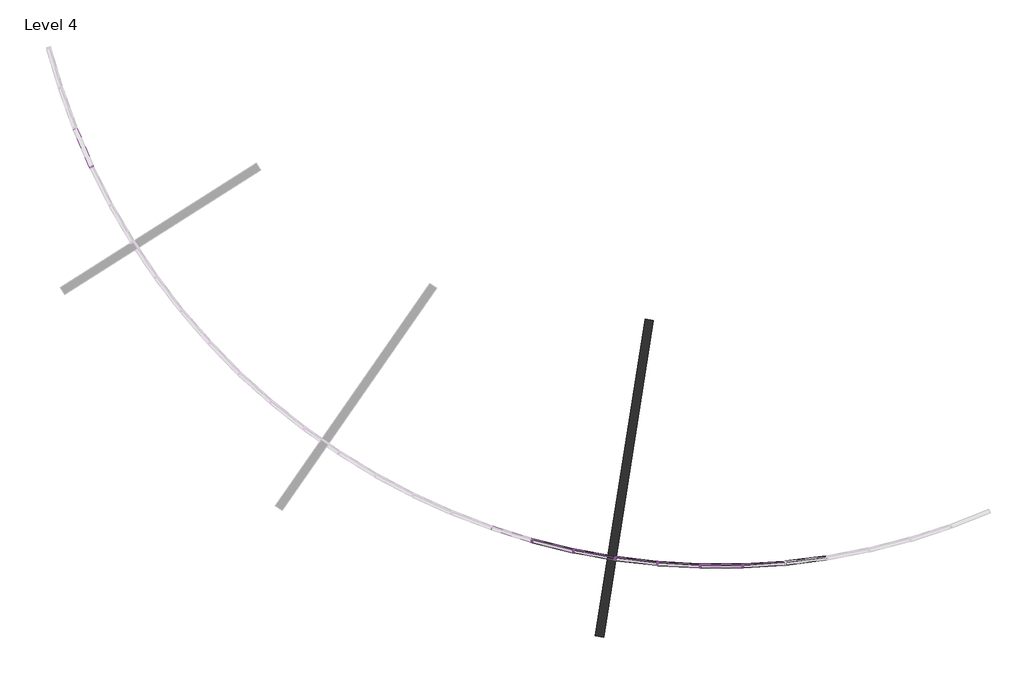
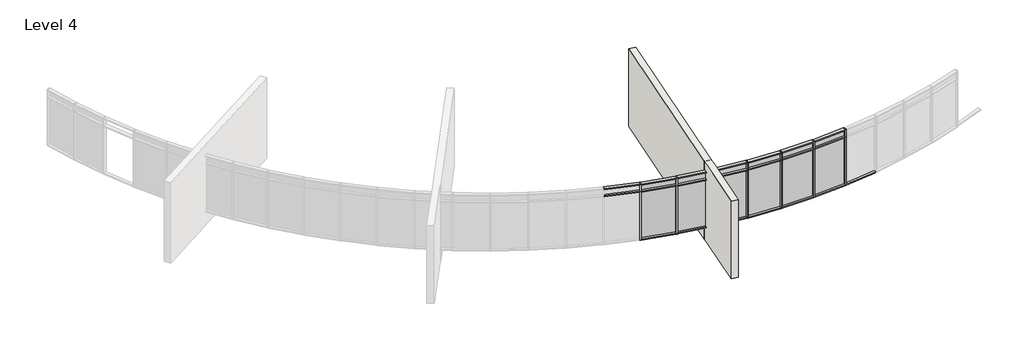
# One storey, part 3 of 18: 72 members, 24 plates, 2 walls.
"""IFC4 building model written with IfcOpenShell, lengths in millimetres."""

import ifcopenshell
import ifcopenshell.guid

model = None  # the IFC model being written
_history = None  # IfcOwnerHistory: only IFC2X3 demands one
_inside = {}  # id of a spatial element -> (the spatial element, [elements in it])
_under = {}  # id of a project, library or spatial element -> (it, [spatial elements below it])
_declared = {}  # id of a project -> (the project, [libraries it declares])
_typed = {}  # id of a type object -> (the type object, [elements of that type])
_made_of = {}  # id of a material, layer set ... -> (it, [elements and type objects made of it])


def new_model(schema):
    """Start an empty IFC model of exactly this schema.

    Asked for "IFC4X3", IfcOpenShell would pick the latest addendum, in which some entities
    have other attributes; the version numbers below select the first issue.
    IFC2X3 requires an IfcOwnerHistory on every rooted entity: one is made here for all.
    """
    global model, _history
    if schema == "IFC4X3":
        model = ifcopenshell.file(schema_version=(4, 3, 0, 0))
    else:
        model = ifcopenshell.file(schema=schema)
    _inside.clear()
    _under.clear()
    _declared.clear()
    _typed.clear()
    _made_of.clear()
    _history = None
    if model.schema == "IFC2X3":
        org = make("IfcOrganization", Name="unknown")
        user = make(
            "IfcPersonAndOrganization",
            ThePerson=make("IfcPerson", FamilyName="unknown"),
            TheOrganization=org,
        )
        app = make(
            "IfcApplication",
            ApplicationDeveloper=org,
            Version="unknown",
            ApplicationFullName="unknown",
            ApplicationIdentifier="unknown",
        )
        _history = make(
            "IfcOwnerHistory",
            OwningUser=user,
            OwningApplication=app,
            ChangeAction="ADDED",
            CreationDate=0,
        )
    return model


def make(cls, **values):
    """One entity of the class cls with the attributes given. An attribute that is None is left unset."""
    return model.create_entity(
        cls, **{name: value for name, value in values.items() if value is not None}
    )


def rooted(cls, **values):
    """An entity with a GlobalId (a new one), such as an element, a storey or a relation."""
    return make(cls, GlobalId=ifcopenshell.guid.new(), OwnerHistory=_history, **values)


def si_unit(unit_type, name, prefix=None):
    """IfcSIUnit, for example si_unit("LENGTHUNIT", "METRE", prefix="MILLI")."""
    return make("IfcSIUnit", UnitType=unit_type, Prefix=prefix, Name=name)


def assignment(units):
    """IfcUnitAssignment: the units of a project."""
    return None if units is None else make("IfcUnitAssignment", Units=units)


def point(xyz):
    """IfcCartesianPoint."""
    return None if xyz is None else make("IfcCartesianPoint", Coordinates=xyz)


def direction(xyz):
    """IfcDirection."""
    return None if xyz is None else make("IfcDirection", DirectionRatios=xyz)


def frame(location, z_axis=None, x_axis=None):
    """IfcAxis2Placement3D, a coordinate frame: its origin and axes. An axis left out is left unset."""
    return make(
        "IfcAxis2Placement3D",
        Location=point(location),
        Axis=direction(z_axis),
        RefDirection=direction(x_axis),
    )


def origin():
    """The frame at (0, 0, 0) with its axes left unset."""
    return frame((0.0, 0.0, 0.0))


def origin_with_axes():
    """The frame at (0, 0, 0) with the z axis (0, 0, 1) and the x axis (1, 0, 0) written out."""
    return frame((0.0, 0.0, 0.0), z_axis=(0.0, 0.0, 1.0), x_axis=(1.0, 0.0, 0.0))


def place(relative_to, where):
    """IfcLocalPlacement: puts the frame where relative to a parent placement (None: the world)."""
    return make(
        "IfcLocalPlacement", PlacementRelTo=relative_to, RelativePlacement=where
    )


def context(
    kind, dimensions, precision=None, world=None, true_north=None, identifier=None
):
    """IfcGeometricRepresentationContext, for example the 3D "Model" context."""
    return make(
        "IfcGeometricRepresentationContext",
        ContextIdentifier=identifier,
        ContextType=kind,
        CoordinateSpaceDimension=dimensions,
        Precision=precision,
        WorldCoordinateSystem=world,
        TrueNorth=true_north,
    )


def project(units=None, contexts=None):
    """IfcProject with its units and contexts."""
    return rooted(
        "IfcProject",
        Name="project",
        RepresentationContexts=contexts,
        UnitsInContext=assignment(units),
    )


def spatial(cls, under=None, at=None, **own):
    """A site, building, storey or space (cls), placed at a placement, below another one or the project."""
    s = rooted(cls, ObjectPlacement=at, **own)
    if under is not None:
        _under.setdefault(under.id(), (under, []))[1].append(s)
    return s


def polyline(points):
    """IfcPolyline through the points."""
    return make("IfcPolyline", Points=[point(p) for p in points])


def circle_curve(where, radius):
    """IfcCircle in the frame where."""
    return make("IfcCircle", Position=where, Radius=radius)


def outline(outer, holes=None, kind="AREA"):
    """IfcArbitraryClosedProfileDef: a profile drawn as a closed curve; with holes, ...WithVoids."""
    if holes is None:
        return make("IfcArbitraryClosedProfileDef", ProfileType=kind, OuterCurve=outer)
    return make(
        "IfcArbitraryProfileDefWithVoids",
        ProfileType=kind,
        OuterCurve=outer,
        InnerCurves=holes,
    )


def extrude(swept, where, along, depth):
    """IfcExtrudedAreaSolid: the profile swept, set in the frame where, extruded along a direction by depth."""
    return make(
        "IfcExtrudedAreaSolid",
        SweptArea=swept,
        Position=where,
        ExtrudedDirection=direction(along),
        Depth=depth,
    )


def faces_of(points, faces, orient=None, outer=None):
    """IfcFace entities. A face is a list of loops; a loop is a list of indices into points, from 0.

    orient and outer hold one flag for each loop. By default every Orientation is true, the
    first loop of a face is its IfcFaceOuterBound and the others are IfcFaceBound.
    """
    made = []
    for i, loops in enumerate(faces):
        bounds = []
        for j, loop in enumerate(loops):
            is_outer = j == 0 if outer is None else outer[i][j]
            bounds.append(
                make(
                    "IfcFaceOuterBound" if is_outer else "IfcFaceBound",
                    Bound=make("IfcPolyLoop", Polygon=[points[k] for k in loop]),
                    Orientation=True if orient is None else orient[i][j],
                )
            )
        made.append(make("IfcFace", Bounds=bounds))
    return made


def faceted_brep(points, faces, orient=None, outer=None, voids=None):
    """IfcFacetedBrep: a solid bounded by flat faces; with voids (closed shells), ...WithVoids."""
    shared = [point(p) for p in points]
    hull = make("IfcClosedShell", CfsFaces=faces_of(shared, faces, orient, outer))
    if voids is None:
        return make("IfcFacetedBrep", Outer=hull)
    return make(
        "IfcFacetedBrepWithVoids",
        Outer=hull,
        Voids=[
            make(cls, CfsFaces=faces_of(shared, fs, o, b)) for cls, fs, o, b in voids
        ],
    )


def shape(context_of_items, identifier, shape_type, items):
    """IfcShapeRepresentation: the items that make up one representation, for example the "Body"."""
    return make(
        "IfcShapeRepresentation",
        ContextOfItems=context_of_items,
        RepresentationIdentifier=identifier,
        RepresentationType=shape_type,
        Items=items,
    )


def source(mapping_origin, context_of_items, identifier, shape_type, items):
    """IfcRepresentationMap: a shape defined once, which mapped items show again and again."""
    return make(
        "IfcRepresentationMap",
        MappingOrigin=mapping_origin,
        MappedRepresentation=shape(context_of_items, identifier, shape_type, items),
    )


def transform(
    local_origin,
    x_axis=None,
    y_axis=None,
    z_axis=None,
    scale=None,
    scale2=None,
    scale3=None,
    uniform=True,
):
    """IfcCartesianTransformationOperator3D, or its non-uniform kind. x_axis, y_axis, z_axis: its Axis1, 2, 3."""
    if uniform:
        return make(
            "IfcCartesianTransformationOperator3D",
            Axis1=direction(x_axis),
            Axis2=direction(y_axis),
            LocalOrigin=point(local_origin),
            Scale=scale,
            Axis3=direction(z_axis),
        )
    return make(
        "IfcCartesianTransformationOperator3DnonUniform",
        Axis1=direction(x_axis),
        Axis2=direction(y_axis),
        LocalOrigin=point(local_origin),
        Scale=scale,
        Axis3=direction(z_axis),
        Scale2=scale2,
        Scale3=scale3,
    )


def mapped(mapping_source, mapping_target):
    """IfcMappedItem: shows the shape of a source again, moved by a transform."""
    return make(
        "IfcMappedItem", MappingSource=mapping_source, MappingTarget=mapping_target
    )


def made_of(thing, what):
    """Note that an element or type object is made of a material, layer set ...; save() writes the relation."""
    if what is not None:
        _made_of.setdefault(what.id(), (what, []))[1].append(thing)
    return thing


def element(
    cls,
    number,
    at=None,
    inside=None,
    cuts=None,
    type_object=None,
    material=None,
    context=None,
    identifier="Body",
    shape_type=None,
    held_by="IfcProductDefinitionShape",
    body=None,
    shapes=None,
    **own,
):
    """One element of the class cls, such as IfcWall. Its Tag is "e" and its number.

    at: its placement. inside: the storey or other place that contains it. cuts: it is an
    opening in that element (IfcRelVoidsElement). A single representation is given by context,
    identifier, shape_type and body (its items); several are given by shapes. held_by: the class
    of the entity that holds the representations. save() writes the other relations.
    """
    e = rooted(cls, Tag="e%d" % number, ObjectPlacement=at, **own)
    if body is not None:
        shapes = [shape(context, identifier, shape_type, body)]
    if shapes is not None:
        e.Representation = make(held_by, Representations=shapes)
    if inside is not None:
        _inside.setdefault(inside.id(), (inside, []))[1].append(e)
    if cuts is not None:
        rooted(
            "IfcRelVoidsElement", RelatingBuildingElement=cuts, RelatedOpeningElement=e
        )
    if type_object is not None:
        _typed.setdefault(type_object.id(), (type_object, []))[1].append(e)
    return made_of(e, material)


def aggregate(whole, parts):
    """IfcRelAggregates: a whole, such as a stair, and the parts it consists of."""
    return rooted("IfcRelAggregates", RelatingObject=whole, RelatedObjects=parts)


def save(model, path):
    """Write the relations noted so far, then the file.

    IfcRelAggregates (storeys below a building ...), IfcRelContainedInSpatialStructure (elements
    in a storey), IfcRelDefinesByType, IfcRelAssociatesMaterial and IfcRelDeclares: one each for
    every whole, place, type object, material and project.
    """
    for whole, parts in _under.values():
        aggregate(whole, parts)
    for where, things in _inside.values():
        rooted(
            "IfcRelContainedInSpatialStructure",
            RelatedElements=things,
            RelatingStructure=where,
        )
    for kind, things in _typed.values():
        rooted("IfcRelDefinesByType", RelatedObjects=things, RelatingType=kind)
    for what, things in _made_of.values():
        rooted("IfcRelAssociatesMaterial", RelatedObjects=things, RelatingMaterial=what)
    for by, libraries in _declared.values():
        rooted("IfcRelDeclares", RelatingContext=by, RelatedDefinitions=libraries)
    model.write(path)


def plane_surface(at):
    """IfcPlane: the flat surface through the origin of the frame at, square to its z axis."""
    return make("IfcPlane", Position=at)


def cylinder_surface(at, radius):
    """IfcCylindricalSurface: all points at the distance radius from the z axis of the frame at."""
    return make("IfcCylindricalSurface", Position=at, Radius=radius)


def revolved_surface(curve, axis_point, axis_direction):
    """IfcSurfaceOfRevolution: the curve turned about the line through axis_point along axis_direction."""
    return make(
        "IfcSurfaceOfRevolution",
        SweptCurve=make("IfcArbitraryOpenProfileDef", ProfileType="CURVE", Curve=curve),
        AxisPosition=make("IfcAxis1Placement", Location=point(axis_point), Axis=direction(axis_direction)),
    )


def advanced_brep(points, edges, surfaces, faces):
    """IfcAdvancedBrep: a solid bounded by faces that lie on surfaces and meet in shared edges.

    An edge is (start, end): straight between two places in points (the first is 0);
    or (start, end, curve); or (start, end, curve, False) where it runs against its curve.
    A face is (place in surfaces, loops), or (place, loops, False) where it looks against
    its surface's normal. A loop lists edges by number (the first is 1), with a minus sign
    where the edge is run from its end to its start. The first loop is the outer one.
    """
    corners = [point(p) for p in points]
    vertices = [make("IfcVertexPoint", VertexGeometry=c) for c in corners]
    made = []
    for start, end, *more in edges:
        made.append(
            make(
                "IfcEdgeCurve",
                EdgeStart=vertices[start],
                EdgeEnd=vertices[end],
                EdgeGeometry=more[0] if more else make("IfcPolyline", Points=[corners[start], corners[end]]),
                SameSense=more[1] if len(more) > 1 else True,
            )
        )
    hull = []
    for where, loops, *sense in faces:
        bounds = []
        for j, loop in enumerate(loops):
            ring = [make("IfcOrientedEdge", EdgeElement=made[abs(k) - 1], Orientation=k > 0) for k in loop]
            bounds.append(
                make(
                    "IfcFaceOuterBound" if j == 0 else "IfcFaceBound",
                    Bound=make("IfcEdgeLoop", EdgeList=ring),
                    Orientation=True,
                )
            )
        hull.append(make("IfcAdvancedFace", Bounds=bounds, FaceSurface=surfaces[where], SameSense=sense[0] if sense else True))
    return make("IfcAdvancedBrep", Outer=make("IfcClosedShell", CfsFaces=hull))


def rectangular_mullion_50_x_150mm_6225e4e3(model_context):
    return source(origin(), model_context, "Body", "SweptSolid", [
        extrude(outline(polyline([(25.0, 75.0), (25.0, -75.0), (-25.0, -75.0), (-25.0, 75.0), (25.0, 75.0)])), frame((0.0, 0.0, -2400.0), z_axis=(0.0, 0.0, 1.0), x_axis=(1.0, 0.0, 0.0)), (0.0, 0.0, 1.0), 2400.0),
    ])


def rectangular_mullion_50_x_150mm_5f8c5138(model_context):
    return source(origin(), model_context, "Body", "SweptSolid", [
        extrude(outline(polyline([(0.0, 75.0), (0.0, -75.0), (-50.0, -75.0), (-50.0, 75.0), (0.0, 75.0)])), frame((0.0, 0.0, -1486.638566), z_axis=(0.0, 0.0, 1.0), x_axis=(1.0, 0.0, 0.0)), (0.0, 0.0, 1.0), 1486.638566),
    ])


def rectangular_mullion_50_x_150mm_aa73aa68(model_context):
    return source(origin(), model_context, "Body", "SweptSolid", [
        extrude(outline(polyline([(25.0, 75.0), (25.0, -75.0), (-25.0, -75.0), (-25.0, 75.0), (25.0, 75.0)])), frame((0.0, 0.0, -1486.638566), z_axis=(0.0, 0.0, 1.0), x_axis=(1.0, 0.0, 0.0)), (0.0, 0.0, 1.0), 1486.638566),
    ])


def rectangular_mullion_50_x_150mm_8e968590(model_context):
    return source(origin(), model_context, "Body", "SweptSolid", [
        extrude(outline(polyline([(25.0, 75.0), (25.0, -75.0), (-25.0, -75.0), (-25.0, 75.0), (25.0, 75.0)])), frame((0.0, 0.0, -377.1504642), z_axis=(0.0, 0.0, 1.0), x_axis=(1.0, 0.0, 0.0)), (0.0, 0.0, 1.0), 377.1504642),
    ])


def system_panel_glazed_01d78c24(model_context):
    return source(origin(), model_context, "Body", "SweptSolid", [
        extrude(outline(polyline([(743.319283, 24.5), (-743.319283, 24.5), (-743.319283, 49.5), (743.319283, 49.5), (743.319283, 24.5)])), origin_with_axes(), (0.0, 0.0, 1.0), 2325.0),
    ])


def system_panel_glazed_a4027662(model_context):
    return source(origin(), model_context, "Body", "SweptSolid", [
        extrude(outline(polyline([(743.319283, 24.5), (-743.319283, 24.5), (-743.319283, 49.5), (743.319283, 49.5), (743.319283, 24.5)])), origin_with_axes(), (0.0, 0.0, 1.0), 302.1504642),
    ])


model = new_model("IFC4")

# Units and contexts
model_context = context("Model", 3, world=origin())
ifc_project = project(units=[si_unit("LENGTHUNIT", "METRE", prefix="MILLI")], contexts=[model_context])

# Site, building, storey
site = spatial("IfcSite", under=ifc_project)
building = spatial("IfcBuilding", under=site)
storey = spatial("IfcBuildingStorey", under=building, Name="Level 4", Elevation=10600.0)

# Members
placement = place(None, origin())
rectangular_mullion_50_x_150mm_shape = rectangular_mullion_50_x_150mm_6225e4e3(model_context)
element("IfcMember", 1, ObjectType="Rectangular Mullion : 50 x 150mm", at=placement, inside=storey, context=model_context, shape_type="MappedRepresentation", body=[
    mapped(rectangular_mullion_50_x_150mm_shape, transform((-15545.8235875, -78094.3351706, 11284.9990095), x_axis=(0.962842144557956, -0.27006481567030594, 0.0), y_axis=(-0.27006481567030594, -0.962842144557956, 0.0), z_axis=(0.0, 0.0, -1.0))),
])
element("IfcMember", 2, ObjectType="Rectangular Mullion : 50 x 150mm", at=placement, inside=storey, context=model_context, shape_type="MappedRepresentation", body=[
    mapped(rectangular_mullion_50_x_150mm_shape, transform((-14054.228241, -78463.6607788, 11284.9990095), x_axis=(0.9776151688863854, -0.21040100181140814, 0.0), y_axis=(-0.21040100181140814, -0.9776151688863854, 0.0), z_axis=(0.0, 0.0, -1.0))),
])
element("IfcMember", 3, ObjectType="Rectangular Mullion : 50 x 150mm", at=placement, inside=storey, context=model_context, shape_type="MappedRepresentation", body=[
    mapped(rectangular_mullion_50_x_150mm_shape, transform((-12542.7604519, -78740.6503182, 11284.9990095), x_axis=(0.9886947504642449, -0.1499422902467625, 0.0), y_axis=(-0.1499422902467625, -0.9886947504642449, 0.0), z_axis=(0.0, 0.0, -1.0))),
])
element("IfcMember", 4, ObjectType="Rectangular Mullion : 50 x 150mm", at=placement, inside=storey, context=model_context, shape_type="MappedRepresentation", body=[
    mapped(rectangular_mullion_50_x_150mm_shape, transform((-11017.130565, -78924.2573189, 11284.9990095), x_axis=(0.9960390304890527, -0.08891709477051131, 0.0), y_axis=(-0.08891709477051131, -0.9960390304890527, 0.0), z_axis=(0.0, 0.0, -1.0))),
])
element("IfcMember", 5, ObjectType="Rectangular Mullion : 50 x 150mm", at=placement, inside=storey, context=model_context, shape_type="MappedRepresentation", body=[
    mapped(rectangular_mullion_50_x_150mm_shape, transform((-9483.1024297, -79013.788111, 11284.9990095), x_axis=(0.9996202621758985, -0.027555969360340556, 0.0), y_axis=(-0.027555969360340556, -0.9996202621758985, 0.0), z_axis=(0.0, 0.0, -1.0))),
])
element("IfcMember", 6, ObjectType="Rectangular Mullion : 50 x 150mm", at=placement, inside=storey, context=model_context, shape_type="MappedRepresentation", body=[
    mapped(rectangular_mullion_50_x_150mm_shape, transform((-7946.4716243, -79008.9044463, 11284.9990095), x_axis=(0.999424915585157, 0.03390926285842728, 0.0), y_axis=(0.03390926285842728, -0.999424915585157, 0.0), z_axis=(0.0, 0.0, -1.0))),
])
element("IfcMember", 7, ObjectType="Rectangular Mullion : 50 x 150mm", at=placement, inside=storey, context=model_context, shape_type="MappedRepresentation", body=[
    mapped(rectangular_mullion_50_x_150mm_shape, transform((-6413.0435596, -78909.6247751, 11284.9990095), x_axis=(0.9954537287387742, 0.09524638544360058, 0.0), y_axis=(0.09524638544360058, -0.9954537287387742, 0.0), z_axis=(0.0, 0.0, -1.0))),
])
element("IfcMember", 8, ObjectType="Rectangular Mullion : 50 x 150mm", at=placement, inside=storey, context=model_context, shape_type="MappedRepresentation", body=[
    mapped(rectangular_mullion_50_x_150mm_shape, transform((-31448.1927472, -64596.6801306, 11284.9990095), x_axis=(0.4229359429583183, -0.9061595820571331, 0.0), y_axis=(-0.9061595820571331, -0.4229359429583183, 0.0), z_axis=(0.0, 0.0, -1.0))),
])
element("IfcMember", 9, ObjectType="Rectangular Mullion : 50 x 150mm", at=placement, inside=storey, context=model_context, shape_type="MappedRepresentation", body=[
    mapped(rectangular_mullion_50_x_150mm_shape, transform((-15545.8235875, -78094.3351706, 11284.9990095), x_axis=(0.962842144557956, -0.27006481567030594, 0.0), y_axis=(-0.27006481567030594, -0.962842144557956, 0.0), z_axis=(0.0, 0.0, -1.0))),
])
element("IfcMember", 10, ObjectType="Rectangular Mullion : 50 x 150mm", at=placement, inside=storey, context=model_context, shape_type="MappedRepresentation", body=[
    mapped(rectangular_mullion_50_x_150mm_shape, transform((-14054.228241, -78463.6607788, 11284.9990095), x_axis=(0.9776151688863854, -0.21040100181140814, 0.0), y_axis=(-0.21040100181140814, -0.9776151688863854, 0.0), z_axis=(0.0, 0.0, -1.0))),
])
element("IfcMember", 11, ObjectType="Rectangular Mullion : 50 x 150mm", at=placement, inside=storey, context=model_context, shape_type="MappedRepresentation", body=[
    mapped(rectangular_mullion_50_x_150mm_shape, transform((-12542.7604519, -78740.6503182, 11284.9990095), x_axis=(0.9886947504642449, -0.1499422902467625, 0.0), y_axis=(-0.1499422902467625, -0.9886947504642449, 0.0), z_axis=(0.0, 0.0, -1.0))),
])
element("IfcMember", 12, ObjectType="Rectangular Mullion : 50 x 150mm", at=placement, inside=storey, context=model_context, shape_type="MappedRepresentation", body=[
    mapped(rectangular_mullion_50_x_150mm_shape, transform((-11017.130565, -78924.2573189, 11284.9990095), x_axis=(0.9960390304890527, -0.08891709477051131, 0.0), y_axis=(-0.08891709477051131, -0.9960390304890527, 0.0), z_axis=(0.0, 0.0, -1.0))),
])
element("IfcMember", 13, ObjectType="Rectangular Mullion : 50 x 150mm", at=placement, inside=storey, context=model_context, shape_type="MappedRepresentation", body=[
    mapped(rectangular_mullion_50_x_150mm_shape, transform((-9483.1024297, -79013.788111, 11284.9990095), x_axis=(0.9996202621758985, -0.027555969360340556, 0.0), y_axis=(-0.027555969360340556, -0.9996202621758985, 0.0), z_axis=(0.0, 0.0, -1.0))),
])
element("IfcMember", 14, ObjectType="Rectangular Mullion : 50 x 150mm", at=placement, inside=storey, context=model_context, shape_type="MappedRepresentation", body=[
    mapped(rectangular_mullion_50_x_150mm_shape, transform((-7946.4716243, -79008.9044463, 11284.9990095), x_axis=(0.999424915585157, 0.03390926285842728, 0.0), y_axis=(0.03390926285842728, -0.999424915585157, 0.0), z_axis=(0.0, 0.0, -1.0))),
])
element("IfcMember", 15, ObjectType="Rectangular Mullion : 50 x 150mm", at=placement, inside=storey, context=model_context, shape_type="MappedRepresentation", body=[
    mapped(rectangular_mullion_50_x_150mm_shape, transform((-6413.0435596, -78909.6247751, 11284.9990095), x_axis=(0.9954537287387742, 0.09524638544360058, 0.0), y_axis=(0.09524638544360058, -0.9954537287387742, 0.0), z_axis=(0.0, 0.0, -1.0))),
])
rectangular_mullion_50_x_150mm_2_shape = rectangular_mullion_50_x_150mm_5f8c5138(model_context)
element("IfcMember", 16, ObjectType="Rectangular Mullion : 50 x 150mm", at=placement, inside=storey, context=model_context, shape_type="MappedRepresentation", body=[
    mapped(rectangular_mullion_50_x_150mm_2_shape, transform((-15521.5564081, -78100.3438316, 11284.9990095), x_axis=(0.0, 0.0, -1.0), y_axis=(-0.24034643954934592, -0.9706871736022644, 0.0), z_axis=(-0.9706871736022644, 0.24034643954934592, 0.0))),
])
element("IfcMember", 17, ObjectType="Rectangular Mullion : 50 x 150mm", at=placement, inside=storey, context=model_context, shape_type="MappedRepresentation", body=[
    mapped(rectangular_mullion_50_x_150mm_2_shape, transform((-14029.6377514, -78468.1671986, 11284.9990095), x_axis=(0.0, 0.0, -1.0), y_axis=(-0.18025679270089512, -0.9836195853505494, 0.0), z_axis=(-0.9836195853505493, 0.1802567927008951, 0.0))),
])
element("IfcMember", 18, ObjectType="Rectangular Mullion : 50 x 150mm", at=placement, inside=storey, context=model_context, shape_type="MappedRepresentation", body=[
    mapped(rectangular_mullion_50_x_150mm_2_shape, transform((-12517.9395552, -78743.6374716, 11284.9990095), x_axis=(0.0, 0.0, -1.0), y_axis=(-0.11948613335855723, -0.9928358695852105, 0.0), z_axis=(-0.9928358695852105, 0.11948613335855723, 0.0))),
])
element("IfcMember", 19, ObjectType="Rectangular Mullion : 50 x 150mm", at=placement, inside=storey, context=model_context, shape_type="MappedRepresentation", body=[
    mapped(rectangular_mullion_50_x_150mm_2_shape, transform((-10992.1730348, -78925.7139202, 11284.9990095), x_axis=(0.0, 0.0, -1.0), y_axis=(-0.05826405385918966, -0.9983012070652292, 0.0), z_axis=(-0.9983012070652292, 0.05826405385918966, 0.0))),
])
element("IfcMember", 20, ObjectType="Rectangular Mullion : 50 x 150mm", at=placement, inside=storey, context=model_context, shape_type="MappedRepresentation", body=[
    mapped(rectangular_mullion_50_x_150mm_2_shape, transform((-9458.102556, -79013.7086573, 11284.9990095), x_axis=(0.0, 0.0, -1.0), y_axis=(0.003178147989141385, -0.9999949496749267, 0.0), z_axis=(-0.9999949496749267, -0.003178147989141385, 0.0))),
])
element("IfcMember", 21, ObjectType="Rectangular Mullion : 50 x 150mm", at=placement, inside=storey, context=model_context, shape_type="MappedRepresentation", body=[
    mapped(rectangular_mullion_50_x_150mm_2_shape, transform((-7921.5238568, -79007.2892377, 11284.9990095), x_axis=(0.0, 0.0, -1.0), y_axis=(0.06460834275324655, -0.9979106984328202, 0.0), z_axis=(-0.9979106984328202, -0.06460834275324655, 0.0))),
])
element("IfcMember", 22, ObjectType="Rectangular Mullion : 50 x 150mm", at=placement, inside=storey, context=model_context, shape_type="MappedRepresentation", body=[
    mapped(rectangular_mullion_50_x_150mm_2_shape, transform((-6388.2421514, -78906.4799139, 11284.9990095), x_axis=(0.0, 0.0, -1.0), y_axis=(0.12579444636292972, -0.9920563276670554, 0.0), z_axis=(-0.9920563276670553, -0.1257944463629297, 0.0))),
])
element("IfcMember", 23, ObjectType="Rectangular Mullion : 50 x 150mm", at=placement, inside=storey, context=model_context, shape_type="MappedRepresentation", body=[
    mapped(rectangular_mullion_50_x_150mm_2_shape, transform((-15521.5564081, -78100.3438316, 11284.9990095), x_axis=(0.0, 0.0, -1.0), y_axis=(-0.24034643954934592, -0.9706871736022644, 0.0), z_axis=(-0.9706871736022644, 0.24034643954934592, 0.0))),
])
element("IfcMember", 24, ObjectType="Rectangular Mullion : 50 x 150mm", at=placement, inside=storey, context=model_context, shape_type="MappedRepresentation", body=[
    mapped(rectangular_mullion_50_x_150mm_2_shape, transform((-14029.6377514, -78468.1671986, 11284.9990095), x_axis=(0.0, 0.0, -1.0), y_axis=(-0.18025679270089512, -0.9836195853505494, 0.0), z_axis=(-0.9836195853505493, 0.1802567927008951, 0.0))),
])
element("IfcMember", 25, ObjectType="Rectangular Mullion : 50 x 150mm", at=placement, inside=storey, context=model_context, shape_type="MappedRepresentation", body=[
    mapped(rectangular_mullion_50_x_150mm_2_shape, transform((-12517.9395552, -78743.6374716, 11284.9990095), x_axis=(0.0, 0.0, -1.0), y_axis=(-0.11948613335855723, -0.9928358695852105, 0.0), z_axis=(-0.9928358695852105, 0.11948613335855723, 0.0))),
])
element("IfcMember", 26, ObjectType="Rectangular Mullion : 50 x 150mm", at=placement, inside=storey, context=model_context, shape_type="MappedRepresentation", body=[
    mapped(rectangular_mullion_50_x_150mm_2_shape, transform((-10992.1730348, -78925.7139202, 11284.9990095), x_axis=(0.0, 0.0, -1.0), y_axis=(-0.05826405385918966, -0.9983012070652292, 0.0), z_axis=(-0.9983012070652292, 0.05826405385918966, 0.0))),
])
element("IfcMember", 27, ObjectType="Rectangular Mullion : 50 x 150mm", at=placement, inside=storey, context=model_context, shape_type="MappedRepresentation", body=[
    mapped(rectangular_mullion_50_x_150mm_2_shape, transform((-9458.102556, -79013.7086573, 11284.9990095), x_axis=(0.0, 0.0, -1.0), y_axis=(0.003178147989141385, -0.9999949496749267, 0.0), z_axis=(-0.9999949496749267, -0.003178147989141385, 0.0))),
])
element("IfcMember", 28, ObjectType="Rectangular Mullion : 50 x 150mm", at=placement, inside=storey, context=model_context, shape_type="MappedRepresentation", body=[
    mapped(rectangular_mullion_50_x_150mm_2_shape, transform((-7921.5238568, -79007.2892377, 11284.9990095), x_axis=(0.0, 0.0, -1.0), y_axis=(0.06460834275324655, -0.9979106984328202, 0.0), z_axis=(-0.9979106984328202, -0.06460834275324655, 0.0))),
])
element("IfcMember", 29, ObjectType="Rectangular Mullion : 50 x 150mm", at=placement, inside=storey, context=model_context, shape_type="MappedRepresentation", body=[
    mapped(rectangular_mullion_50_x_150mm_2_shape, transform((-6388.2421514, -78906.4799139, 11284.9990095), x_axis=(0.0, 0.0, -1.0), y_axis=(0.12579444636292972, -0.9920563276670554, 0.0), z_axis=(-0.9920563276670553, -0.1257944463629297, 0.0))),
])
element("IfcMember", 30, ObjectType="Rectangular Mullion : 50 x 150mm", at=placement, inside=storey, context=model_context, shape_type="MappedRepresentation", body=[
    mapped(rectangular_mullion_50_x_150mm_2_shape, transform((-15569.6757748, -78086.8469692, 14062.1494736), x_axis=(0.0, 0.0, 1.0), y_axis=(-0.2995280544410025, -0.9540874931591902, 0.0), z_axis=(0.9540874931591902, -0.2995280544410025, 0.0))),
])
element("IfcMember", 31, ObjectType="Rectangular Mullion : 50 x 150mm", at=placement, inside=storey, context=model_context, shape_type="MappedRepresentation", body=[
    mapped(rectangular_mullion_50_x_150mm_2_shape, transform((-14078.4954204, -78457.6521178, 14062.1494736), x_axis=(0.0, 0.0, 1.0), y_axis=(-0.24034643954934723, -0.9706871736022641, 0.0), z_axis=(0.9706871736022641, -0.24034643954934723, 0.0))),
])
element("IfcMember", 32, ObjectType="Rectangular Mullion : 50 x 150mm", at=placement, inside=storey, context=model_context, shape_type="MappedRepresentation", body=[
    mapped(rectangular_mullion_50_x_150mm_2_shape, transform((-12567.3509415, -78736.1438984, 14062.1494736), x_axis=(0.0, 0.0, 1.0), y_axis=(-0.18025679270089387, -0.9836195853505496, 0.0), z_axis=(0.9836195853505495, -0.18025679270089384, 0.0))),
])
element("IfcMember", 33, ObjectType="Rectangular Mullion : 50 x 150mm", at=placement, inside=storey, context=model_context, shape_type="MappedRepresentation", body=[
    mapped(rectangular_mullion_50_x_150mm_2_shape, transform((-11041.9514617, -78921.2701655, 14062.1494736), x_axis=(0.0, 0.0, 1.0), y_axis=(-0.11948613335855773, -0.9928358695852105, 0.0), z_axis=(0.9928358695852105, -0.11948613335855773, 0.0))),
])
element("IfcMember", 34, ObjectType="Rectangular Mullion : 50 x 150mm", at=placement, inside=storey, context=model_context, shape_type="MappedRepresentation", body=[
    mapped(rectangular_mullion_50_x_150mm_2_shape, transform((-9508.0599599, -79012.3315097, 14062.1494736), x_axis=(0.0, 0.0, 1.0), y_axis=(-0.05826405385918966, -0.9983012070652292, 0.0), z_axis=(0.9983012070652292, -0.05826405385918966, 0.0))),
])
element("IfcMember", 35, ObjectType="Rectangular Mullion : 50 x 150mm", at=placement, inside=storey, context=model_context, shape_type="MappedRepresentation", body=[
    mapped(rectangular_mullion_50_x_150mm_2_shape, transform((-7971.471498, -79008.9839, 14062.1494736), x_axis=(0.0, 0.0, 1.0), y_axis=(0.003178147989141396, -0.9999949496749266, 0.0), z_axis=(0.9999949496749265, 0.0031781479891413956, 0.0))),
])
element("IfcMember", 36, ObjectType="Rectangular Mullion : 50 x 150mm", at=placement, inside=storey, context=model_context, shape_type="MappedRepresentation", body=[
    mapped(rectangular_mullion_50_x_150mm_2_shape, transform((-6437.9913271, -78911.2399837, 14062.1494736), x_axis=(0.0, 0.0, 1.0), y_axis=(0.06460834275324627, -0.9979106984328202, 0.0), z_axis=(0.9979106984328202, 0.06460834275324627, 0.0))),
])
element("IfcMember", 37, ObjectType="Rectangular Mullion : 50 x 150mm", at=placement, inside=storey, context=model_context, shape_type="MappedRepresentation", body=[
    mapped(rectangular_mullion_50_x_150mm_2_shape, transform((-15569.6757748, -78086.8469692, 14062.1494736), x_axis=(0.0, 0.0, 1.0), y_axis=(-0.2995280544410025, -0.9540874931591902, 0.0), z_axis=(0.9540874931591902, -0.2995280544410025, 0.0))),
])
element("IfcMember", 38, ObjectType="Rectangular Mullion : 50 x 150mm", at=placement, inside=storey, context=model_context, shape_type="MappedRepresentation", body=[
    mapped(rectangular_mullion_50_x_150mm_2_shape, transform((-14078.4954204, -78457.6521178, 14062.1494736), x_axis=(0.0, 0.0, 1.0), y_axis=(-0.24034643954934723, -0.9706871736022641, 0.0), z_axis=(0.9706871736022641, -0.24034643954934723, 0.0))),
])
element("IfcMember", 39, ObjectType="Rectangular Mullion : 50 x 150mm", at=placement, inside=storey, context=model_context, shape_type="MappedRepresentation", body=[
    mapped(rectangular_mullion_50_x_150mm_2_shape, transform((-12567.3509415, -78736.1438984, 14062.1494736), x_axis=(0.0, 0.0, 1.0), y_axis=(-0.18025679270089387, -0.9836195853505496, 0.0), z_axis=(0.9836195853505495, -0.18025679270089384, 0.0))),
])
element("IfcMember", 40, ObjectType="Rectangular Mullion : 50 x 150mm", at=placement, inside=storey, context=model_context, shape_type="MappedRepresentation", body=[
    mapped(rectangular_mullion_50_x_150mm_2_shape, transform((-11041.9514617, -78921.2701655, 14062.1494736), x_axis=(0.0, 0.0, 1.0), y_axis=(-0.11948613335855773, -0.9928358695852105, 0.0), z_axis=(0.9928358695852105, -0.11948613335855773, 0.0))),
])
element("IfcMember", 41, ObjectType="Rectangular Mullion : 50 x 150mm", at=placement, inside=storey, context=model_context, shape_type="MappedRepresentation", body=[
    mapped(rectangular_mullion_50_x_150mm_2_shape, transform((-9508.0599599, -79012.3315097, 14062.1494736), x_axis=(0.0, 0.0, 1.0), y_axis=(-0.05826405385918966, -0.9983012070652292, 0.0), z_axis=(0.9983012070652292, -0.05826405385918966, 0.0))),
])
element("IfcMember", 42, ObjectType="Rectangular Mullion : 50 x 150mm", at=placement, inside=storey, context=model_context, shape_type="MappedRepresentation", body=[
    mapped(rectangular_mullion_50_x_150mm_2_shape, transform((-7971.471498, -79008.9839, 14062.1494736), x_axis=(0.0, 0.0, 1.0), y_axis=(0.003178147989141396, -0.9999949496749266, 0.0), z_axis=(0.9999949496749265, 0.0031781479891413956, 0.0))),
])
element("IfcMember", 43, ObjectType="Rectangular Mullion : 50 x 150mm", at=placement, inside=storey, context=model_context, shape_type="MappedRepresentation", body=[
    mapped(rectangular_mullion_50_x_150mm_2_shape, transform((-6437.9913271, -78911.2399837, 14062.1494736), x_axis=(0.0, 0.0, 1.0), y_axis=(0.06460834275324627, -0.9979106984328202, 0.0), z_axis=(0.9979106984328202, 0.06460834275324627, 0.0))),
])
rectangular_mullion_50_x_150mm_3_shape = rectangular_mullion_50_x_150mm_aa73aa68(model_context)
element("IfcMember", 44, ObjectType="Rectangular Mullion : 50 x 150mm", at=placement, inside=storey, context=model_context, shape_type="MappedRepresentation", body=[
    mapped(rectangular_mullion_50_x_150mm_3_shape, transform((-15569.6757748, -78086.8469692, 13684.9990095), x_axis=(0.0, 0.0, 1.0), y_axis=(-0.2995280544410037, -0.9540874931591898, 0.0), z_axis=(0.9540874931591897, -0.29952805444100367, 0.0))),
])
element("IfcMember", 45, ObjectType="Rectangular Mullion : 50 x 150mm", at=placement, inside=storey, context=model_context, shape_type="MappedRepresentation", body=[
    mapped(rectangular_mullion_50_x_150mm_3_shape, transform((-14078.4954204, -78457.6521178, 13684.9990095), x_axis=(0.0, 0.0, 1.0), y_axis=(-0.24034643954934723, -0.9706871736022641, 0.0), z_axis=(0.9706871736022641, -0.24034643954934723, 0.0))),
])
element("IfcMember", 46, ObjectType="Rectangular Mullion : 50 x 150mm", at=placement, inside=storey, context=model_context, shape_type="MappedRepresentation", body=[
    mapped(rectangular_mullion_50_x_150mm_3_shape, transform((-12567.3509415, -78736.1438984, 13684.9990095), x_axis=(0.0, 0.0, 1.0), y_axis=(-0.18025679270089387, -0.9836195853505496, 0.0), z_axis=(0.9836195853505495, -0.18025679270089384, 0.0))),
])
element("IfcMember", 47, ObjectType="Rectangular Mullion : 50 x 150mm", at=placement, inside=storey, context=model_context, shape_type="MappedRepresentation", body=[
    mapped(rectangular_mullion_50_x_150mm_3_shape, transform((-11041.9514617, -78921.2701655, 13684.9990095), x_axis=(0.0, 0.0, 1.0), y_axis=(-0.11948613335855807, -0.9928358695852104, 0.0), z_axis=(0.9928358695852104, -0.11948613335855807, 0.0))),
])
element("IfcMember", 48, ObjectType="Rectangular Mullion : 50 x 150mm", at=placement, inside=storey, context=model_context, shape_type="MappedRepresentation", body=[
    mapped(rectangular_mullion_50_x_150mm_3_shape, transform((-9508.0599599, -79012.3315097, 13684.9990095), x_axis=(0.0, 0.0, 1.0), y_axis=(-0.05826405385918991, -0.9983012070652292, 0.0), z_axis=(0.9983012070652292, -0.05826405385918991, 0.0))),
])
element("IfcMember", 49, ObjectType="Rectangular Mullion : 50 x 150mm", at=placement, inside=storey, context=model_context, shape_type="MappedRepresentation", body=[
    mapped(rectangular_mullion_50_x_150mm_3_shape, transform((-7971.471498, -79008.9839, 13684.9990095), x_axis=(0.0, 0.0, 1.0), y_axis=(0.003178147989141396, -0.9999949496749266, 0.0), z_axis=(0.9999949496749265, 0.0031781479891413956, 0.0))),
])
element("IfcMember", 50, ObjectType="Rectangular Mullion : 50 x 150mm", at=placement, inside=storey, context=model_context, shape_type="MappedRepresentation", body=[
    mapped(rectangular_mullion_50_x_150mm_3_shape, transform((-6437.9913271, -78911.2399837, 13684.9990095), x_axis=(0.0, 0.0, 1.0), y_axis=(0.06460834275324655, -0.9979106984328202, 0.0), z_axis=(0.9979106984328202, 0.06460834275324655, 0.0))),
])
element("IfcMember", 51, ObjectType="Rectangular Mullion : 50 x 150mm", at=placement, inside=storey, context=model_context, shape_type="MappedRepresentation", body=[
    mapped(rectangular_mullion_50_x_150mm_3_shape, transform((-31458.0649314, -64573.7118921, 13684.9990095), x_axis=(0.0, 0.0, 1.0), y_axis=(-0.9187295392532695, -0.3948873683766994, 0.0), z_axis=(0.3948873683766994, -0.9187295392532695, 0.0))),
])
element("IfcMember", 52, ObjectType="Rectangular Mullion : 50 x 150mm", at=placement, inside=storey, context=model_context, shape_type="MappedRepresentation", body=[
    mapped(rectangular_mullion_50_x_150mm_3_shape, transform((-15569.6757748, -78086.8469692, 13684.9990095), x_axis=(0.0, 0.0, 1.0), y_axis=(-0.2995280544410037, -0.9540874931591898, 0.0), z_axis=(0.9540874931591897, -0.29952805444100367, 0.0))),
])
element("IfcMember", 53, ObjectType="Rectangular Mullion : 50 x 150mm", at=placement, inside=storey, context=model_context, shape_type="MappedRepresentation", body=[
    mapped(rectangular_mullion_50_x_150mm_3_shape, transform((-14078.4954204, -78457.6521178, 13684.9990095), x_axis=(0.0, 0.0, 1.0), y_axis=(-0.24034643954934723, -0.9706871736022641, 0.0), z_axis=(0.9706871736022641, -0.24034643954934723, 0.0))),
])
element("IfcMember", 54, ObjectType="Rectangular Mullion : 50 x 150mm", at=placement, inside=storey, context=model_context, shape_type="MappedRepresentation", body=[
    mapped(rectangular_mullion_50_x_150mm_3_shape, transform((-12567.3509415, -78736.1438984, 13684.9990095), x_axis=(0.0, 0.0, 1.0), y_axis=(-0.18025679270089387, -0.9836195853505496, 0.0), z_axis=(0.9836195853505495, -0.18025679270089384, 0.0))),
])
element("IfcMember", 55, ObjectType="Rectangular Mullion : 50 x 150mm", at=placement, inside=storey, context=model_context, shape_type="MappedRepresentation", body=[
    mapped(rectangular_mullion_50_x_150mm_3_shape, transform((-11041.9514617, -78921.2701655, 13684.9990095), x_axis=(0.0, 0.0, 1.0), y_axis=(-0.11948613335855807, -0.9928358695852104, 0.0), z_axis=(0.9928358695852104, -0.11948613335855807, 0.0))),
])
element("IfcMember", 56, ObjectType="Rectangular Mullion : 50 x 150mm", at=placement, inside=storey, context=model_context, shape_type="MappedRepresentation", body=[
    mapped(rectangular_mullion_50_x_150mm_3_shape, transform((-9508.0599599, -79012.3315097, 13684.9990095), x_axis=(0.0, 0.0, 1.0), y_axis=(-0.05826405385918991, -0.9983012070652292, 0.0), z_axis=(0.9983012070652292, -0.05826405385918991, 0.0))),
])
element("IfcMember", 57, ObjectType="Rectangular Mullion : 50 x 150mm", at=placement, inside=storey, context=model_context, shape_type="MappedRepresentation", body=[
    mapped(rectangular_mullion_50_x_150mm_3_shape, transform((-7971.471498, -79008.9839, 13684.9990095), x_axis=(0.0, 0.0, 1.0), y_axis=(0.003178147989141396, -0.9999949496749266, 0.0), z_axis=(0.9999949496749265, 0.0031781479891413956, 0.0))),
])
element("IfcMember", 58, ObjectType="Rectangular Mullion : 50 x 150mm", at=placement, inside=storey, context=model_context, shape_type="MappedRepresentation", body=[
    mapped(rectangular_mullion_50_x_150mm_3_shape, transform((-6437.9913271, -78911.2399837, 13684.9990095), x_axis=(0.0, 0.0, 1.0), y_axis=(0.06460834275324655, -0.9979106984328202, 0.0), z_axis=(0.9979106984328202, 0.06460834275324655, 0.0))),
])
rectangular_mullion_50_x_150mm_4_shape = rectangular_mullion_50_x_150mm_8e968590(model_context)
element("IfcMember", 59, ObjectType="Rectangular Mullion : 50 x 150mm", at=placement, inside=storey, context=model_context, shape_type="MappedRepresentation", body=[
    mapped(rectangular_mullion_50_x_150mm_4_shape, transform((-15545.8235875, -78094.3351706, 13684.9990095), x_axis=(0.962842144557956, -0.27006481567030594, 0.0), y_axis=(-0.27006481567030594, -0.962842144557956, 0.0), z_axis=(0.0, 0.0, -1.0))),
])
element("IfcMember", 60, ObjectType="Rectangular Mullion : 50 x 150mm", at=placement, inside=storey, context=model_context, shape_type="MappedRepresentation", body=[
    mapped(rectangular_mullion_50_x_150mm_4_shape, transform((-14054.228241, -78463.6607788, 13684.9990095), x_axis=(0.9776151688863854, -0.21040100181140814, 0.0), y_axis=(-0.21040100181140814, -0.9776151688863854, 0.0), z_axis=(0.0, 0.0, -1.0))),
])
element("IfcMember", 61, ObjectType="Rectangular Mullion : 50 x 150mm", at=placement, inside=storey, context=model_context, shape_type="MappedRepresentation", body=[
    mapped(rectangular_mullion_50_x_150mm_4_shape, transform((-12542.7604519, -78740.6503182, 13684.9990095), x_axis=(0.9886947504642452, -0.14994229024676162, 0.0), y_axis=(-0.14994229024676162, -0.9886947504642452, 0.0), z_axis=(0.0, 0.0, -1.0))),
])
element("IfcMember", 62, ObjectType="Rectangular Mullion : 50 x 150mm", at=placement, inside=storey, context=model_context, shape_type="MappedRepresentation", body=[
    mapped(rectangular_mullion_50_x_150mm_4_shape, transform((-11017.130565, -78924.2573189, 13684.9990095), x_axis=(0.9960390304890527, -0.08891709477051131, 0.0), y_axis=(-0.08891709477051131, -0.9960390304890527, 0.0), z_axis=(0.0, 0.0, -1.0))),
])
element("IfcMember", 63, ObjectType="Rectangular Mullion : 50 x 150mm", at=placement, inside=storey, context=model_context, shape_type="MappedRepresentation", body=[
    mapped(rectangular_mullion_50_x_150mm_4_shape, transform((-9483.1024297, -79013.788111, 13684.9990095), x_axis=(0.9996202621758985, -0.027555969360340556, 0.0), y_axis=(-0.027555969360340556, -0.9996202621758985, 0.0), z_axis=(0.0, 0.0, -1.0))),
])
element("IfcMember", 64, ObjectType="Rectangular Mullion : 50 x 150mm", at=placement, inside=storey, context=model_context, shape_type="MappedRepresentation", body=[
    mapped(rectangular_mullion_50_x_150mm_4_shape, transform((-7946.4716243, -79008.9044463, 13684.9990095), x_axis=(0.999424915585157, 0.03390926285842728, 0.0), y_axis=(0.03390926285842728, -0.999424915585157, 0.0), z_axis=(0.0, 0.0, -1.0))),
])
element("IfcMember", 65, ObjectType="Rectangular Mullion : 50 x 150mm", at=placement, inside=storey, context=model_context, shape_type="MappedRepresentation", body=[
    mapped(rectangular_mullion_50_x_150mm_4_shape, transform((-6413.0435596, -78909.6247751, 13684.9990095), x_axis=(0.9954537287387742, 0.09524638544360058, 0.0), y_axis=(0.09524638544360058, -0.9954537287387742, 0.0), z_axis=(0.0, 0.0, -1.0))),
])
element("IfcMember", 66, ObjectType="Rectangular Mullion : 50 x 150mm", at=placement, inside=storey, context=model_context, shape_type="MappedRepresentation", body=[
    mapped(rectangular_mullion_50_x_150mm_4_shape, transform((-31448.1927472, -64596.6801306, 13684.9990095), x_axis=(0.42293594295831755, -0.9061595820571335, 0.0), y_axis=(-0.9061595820571335, -0.42293594295831755, 0.0), z_axis=(0.0, 0.0, -1.0))),
])
element("IfcMember", 67, ObjectType="Rectangular Mullion : 50 x 150mm", at=placement, inside=storey, context=model_context, shape_type="MappedRepresentation", body=[
    mapped(rectangular_mullion_50_x_150mm_4_shape, transform((-15545.8235875, -78094.3351706, 13684.9990095), x_axis=(0.962842144557956, -0.27006481567030594, 0.0), y_axis=(-0.27006481567030594, -0.962842144557956, 0.0), z_axis=(0.0, 0.0, -1.0))),
])
element("IfcMember", 68, ObjectType="Rectangular Mullion : 50 x 150mm", at=placement, inside=storey, context=model_context, shape_type="MappedRepresentation", body=[
    mapped(rectangular_mullion_50_x_150mm_4_shape, transform((-14054.228241, -78463.6607788, 13684.9990095), x_axis=(0.9776151688863854, -0.21040100181140814, 0.0), y_axis=(-0.21040100181140814, -0.9776151688863854, 0.0), z_axis=(0.0, 0.0, -1.0))),
])
element("IfcMember", 69, ObjectType="Rectangular Mullion : 50 x 150mm", at=placement, inside=storey, context=model_context, shape_type="MappedRepresentation", body=[
    mapped(rectangular_mullion_50_x_150mm_4_shape, transform((-12542.7604519, -78740.6503182, 13684.9990095), x_axis=(0.9886947504642452, -0.14994229024676162, 0.0), y_axis=(-0.14994229024676162, -0.9886947504642452, 0.0), z_axis=(0.0, 0.0, -1.0))),
])
element("IfcMember", 70, ObjectType="Rectangular Mullion : 50 x 150mm", at=placement, inside=storey, context=model_context, shape_type="MappedRepresentation", body=[
    mapped(rectangular_mullion_50_x_150mm_4_shape, transform((-11017.130565, -78924.2573189, 13684.9990095), x_axis=(0.9960390304890527, -0.08891709477051131, 0.0), y_axis=(-0.08891709477051131, -0.9960390304890527, 0.0), z_axis=(0.0, 0.0, -1.0))),
])
element("IfcMember", 71, ObjectType="Rectangular Mullion : 50 x 150mm", at=placement, inside=storey, context=model_context, shape_type="MappedRepresentation", body=[
    mapped(rectangular_mullion_50_x_150mm_4_shape, transform((-9483.1024297, -79013.788111, 13684.9990095), x_axis=(0.9996202621758985, -0.027555969360340556, 0.0), y_axis=(-0.027555969360340556, -0.9996202621758985, 0.0), z_axis=(0.0, 0.0, -1.0))),
])
element("IfcMember", 72, ObjectType="Rectangular Mullion : 50 x 150mm", at=placement, inside=storey, context=model_context, shape_type="MappedRepresentation", body=[
    mapped(rectangular_mullion_50_x_150mm_4_shape, transform((-7946.4716243, -79008.9044463, 13684.9990095), x_axis=(0.999424915585157, 0.03390926285842728, 0.0), y_axis=(0.03390926285842728, -0.999424915585157, 0.0), z_axis=(0.0, 0.0, -1.0))),
])

# Plates
system_panel_glazed_shape = system_panel_glazed_01d78c24(model_context)
element("IfcPlate", 73, ObjectType="System Panel : Glazed", at=placement, inside=storey, context=model_context, shape_type="MappedRepresentation", body=[
    mapped(system_panel_glazed_shape, transform((-14800.0259142, -78278.9979747, 11334.9990095), x_axis=(0.9706871736022643, -0.2403464395493466, 0.0), y_axis=(0.2403464395493466, 0.9706871736022643, 0.0), z_axis=(0.0, 0.0, 1.0))),
])
element("IfcPlate", 74, ObjectType="System Panel : Glazed", at=placement, inside=storey, context=model_context, shape_type="MappedRepresentation", body=[
    mapped(system_panel_glazed_shape, transform((-13298.4943465, -78602.1555485, 11334.9990095), x_axis=(0.9836195853505492, -0.18025679270089556, 0.0), y_axis=(0.18025679270089556, 0.9836195853505492, 0.0), z_axis=(0.0, 0.0, 1.0))),
])
element("IfcPlate", 75, ObjectType="System Panel : Glazed", at=placement, inside=storey, context=model_context, shape_type="MappedRepresentation", body=[
    mapped(system_panel_glazed_shape, transform((-11779.9455084, -78832.4538185, 11334.9990095), x_axis=(0.9928358695852105, -0.11948613335855689, 0.0), y_axis=(0.11948613335855689, 0.9928358695852105, 0.0), z_axis=(0.0, 0.0, 1.0))),
])
element("IfcPlate", 76, ObjectType="System Panel : Glazed", at=placement, inside=storey, context=model_context, shape_type="MappedRepresentation", body=[
    mapped(system_panel_glazed_shape, transform((-10250.1164974, -78969.0227149, 11334.9990095), x_axis=(0.9983012070652292, -0.05826405385918966, 0.0), y_axis=(0.05826405385918966, 0.9983012070652292, 0.0), z_axis=(0.0, 0.0, 1.0))),
])
element("IfcPlate", 77, ObjectType="System Panel : Glazed", at=placement, inside=storey, context=model_context, shape_type="MappedRepresentation", body=[
    mapped(system_panel_glazed_shape, transform((-8714.787027, -79011.3462786, 11334.9990095), x_axis=(0.9999949496749267, 0.003178147989141385, 0.0), y_axis=(-0.003178147989141385, 0.9999949496749267, 0.0), z_axis=(0.0, 0.0, 1.0))),
])
element("IfcPlate", 78, ObjectType="System Panel : Glazed", at=placement, inside=storey, context=model_context, shape_type="MappedRepresentation", body=[
    mapped(system_panel_glazed_shape, transform((-7179.757592, -78959.2646107, 11334.9990095), x_axis=(0.9979106984328202, 0.06460834275324656, 0.0), y_axis=(-0.06460834275324656, 0.9979106984328202, 0.0), z_axis=(0.0, 0.0, 1.0))),
])
element("IfcPlate", 79, ObjectType="System Panel : Glazed", at=placement, inside=storey, context=model_context, shape_type="MappedRepresentation", body=[
    mapped(system_panel_glazed_shape, transform((-14800.0259142, -78278.9979747, 11334.9990095), x_axis=(0.9706871736022643, -0.2403464395493466, 0.0), y_axis=(0.2403464395493466, 0.9706871736022643, 0.0), z_axis=(0.0, 0.0, 1.0))),
])
element("IfcPlate", 80, ObjectType="System Panel : Glazed", at=placement, inside=storey, context=model_context, shape_type="MappedRepresentation", body=[
    mapped(system_panel_glazed_shape, transform((-13298.4943465, -78602.1555485, 11334.9990095), x_axis=(0.9836195853505492, -0.18025679270089556, 0.0), y_axis=(0.18025679270089556, 0.9836195853505492, 0.0), z_axis=(0.0, 0.0, 1.0))),
])
element("IfcPlate", 81, ObjectType="System Panel : Glazed", at=placement, inside=storey, context=model_context, shape_type="MappedRepresentation", body=[
    mapped(system_panel_glazed_shape, transform((-11779.9455084, -78832.4538185, 11334.9990095), x_axis=(0.9928358695852105, -0.11948613335855689, 0.0), y_axis=(0.11948613335855689, 0.9928358695852105, 0.0), z_axis=(0.0, 0.0, 1.0))),
])
element("IfcPlate", 82, ObjectType="System Panel : Glazed", at=placement, inside=storey, context=model_context, shape_type="MappedRepresentation", body=[
    mapped(system_panel_glazed_shape, transform((-10250.1164974, -78969.0227149, 11334.9990095), x_axis=(0.9983012070652292, -0.05826405385918966, 0.0), y_axis=(0.05826405385918966, 0.9983012070652292, 0.0), z_axis=(0.0, 0.0, 1.0))),
])
element("IfcPlate", 83, ObjectType="System Panel : Glazed", at=placement, inside=storey, context=model_context, shape_type="MappedRepresentation", body=[
    mapped(system_panel_glazed_shape, transform((-8714.787027, -79011.3462786, 11334.9990095), x_axis=(0.9999949496749267, 0.003178147989141385, 0.0), y_axis=(-0.003178147989141385, 0.9999949496749267, 0.0), z_axis=(0.0, 0.0, 1.0))),
])
element("IfcPlate", 84, ObjectType="System Panel : Glazed", at=placement, inside=storey, context=model_context, shape_type="MappedRepresentation", body=[
    mapped(system_panel_glazed_shape, transform((-7179.757592, -78959.2646107, 11334.9990095), x_axis=(0.9979106984328202, 0.06460834275324656, 0.0), y_axis=(-0.06460834275324656, 0.9979106984328202, 0.0), z_axis=(0.0, 0.0, 1.0))),
])
system_panel_glazed_2_shape = system_panel_glazed_a4027662(model_context)
element("IfcPlate", 85, ObjectType="System Panel : Glazed", at=placement, inside=storey, context=model_context, shape_type="MappedRepresentation", body=[
    mapped(system_panel_glazed_2_shape, transform((-14800.0259142, -78278.9979747, 13709.9990095), x_axis=(0.9706871736022643, -0.2403464395493466, 0.0), y_axis=(0.2403464395493466, 0.9706871736022643, 0.0), z_axis=(0.0, 0.0, 1.0))),
])
element("IfcPlate", 86, ObjectType="System Panel : Glazed", at=placement, inside=storey, context=model_context, shape_type="MappedRepresentation", body=[
    mapped(system_panel_glazed_2_shape, transform((-13298.4943465, -78602.1555485, 13709.9990095), x_axis=(0.9836195853505492, -0.1802567927008956, 0.0), y_axis=(0.1802567927008956, 0.9836195853505492, 0.0), z_axis=(0.0, 0.0, 1.0))),
])
element("IfcPlate", 87, ObjectType="System Panel : Glazed", at=placement, inside=storey, context=model_context, shape_type="MappedRepresentation", body=[
    mapped(system_panel_glazed_2_shape, transform((-11779.9455084, -78832.4538185, 13709.9990095), x_axis=(0.9928358695852105, -0.11948613335855689, 0.0), y_axis=(0.11948613335855689, 0.9928358695852105, 0.0), z_axis=(0.0, 0.0, 1.0))),
])
element("IfcPlate", 88, ObjectType="System Panel : Glazed", at=placement, inside=storey, context=model_context, shape_type="MappedRepresentation", body=[
    mapped(system_panel_glazed_2_shape, transform((-10250.1164974, -78969.0227149, 13709.9990095), x_axis=(0.9983012070652292, -0.05826405385918967, 0.0), y_axis=(0.05826405385918967, 0.9983012070652292, 0.0), z_axis=(0.0, 0.0, 1.0))),
])
element("IfcPlate", 89, ObjectType="System Panel : Glazed", at=placement, inside=storey, context=model_context, shape_type="MappedRepresentation", body=[
    mapped(system_panel_glazed_2_shape, transform((-8714.787027, -79011.3462786, 13709.9990095), x_axis=(0.9999949496749267, 0.003178147989141385, 0.0), y_axis=(-0.003178147989141385, 0.9999949496749267, 0.0), z_axis=(0.0, 0.0, 1.0))),
])
element("IfcPlate", 90, ObjectType="System Panel : Glazed", at=placement, inside=storey, context=model_context, shape_type="MappedRepresentation", body=[
    mapped(system_panel_glazed_2_shape, transform((-7179.757592, -78959.2646107, 13709.9990095), x_axis=(0.9979106984328202, 0.06460834275324653, 0.0), y_axis=(-0.06460834275324653, 0.9979106984328202, 0.0), z_axis=(0.0, 0.0, 1.0))),
])
element("IfcPlate", 91, ObjectType="System Panel : Glazed", at=placement, inside=storey, context=model_context, shape_type="MappedRepresentation", body=[
    mapped(system_panel_glazed_2_shape, transform((-14800.0259142, -78278.9979747, 13709.9990095), x_axis=(0.9706871736022643, -0.2403464395493466, 0.0), y_axis=(0.2403464395493466, 0.9706871736022643, 0.0), z_axis=(0.0, 0.0, 1.0))),
])
element("IfcPlate", 92, ObjectType="System Panel : Glazed", at=placement, inside=storey, context=model_context, shape_type="MappedRepresentation", body=[
    mapped(system_panel_glazed_2_shape, transform((-13298.4943465, -78602.1555485, 13709.9990095), x_axis=(0.9836195853505492, -0.1802567927008956, 0.0), y_axis=(0.1802567927008956, 0.9836195853505492, 0.0), z_axis=(0.0, 0.0, 1.0))),
])
element("IfcPlate", 93, ObjectType="System Panel : Glazed", at=placement, inside=storey, context=model_context, shape_type="MappedRepresentation", body=[
    mapped(system_panel_glazed_2_shape, transform((-11779.9455084, -78832.4538185, 13709.9990095), x_axis=(0.9928358695852105, -0.11948613335855689, 0.0), y_axis=(0.11948613335855689, 0.9928358695852105, 0.0), z_axis=(0.0, 0.0, 1.0))),
])
element("IfcPlate", 94, ObjectType="System Panel : Glazed", at=placement, inside=storey, context=model_context, shape_type="MappedRepresentation", body=[
    mapped(system_panel_glazed_2_shape, transform((-10250.1164974, -78969.0227149, 13709.9990095), x_axis=(0.9983012070652292, -0.05826405385918967, 0.0), y_axis=(0.05826405385918967, 0.9983012070652292, 0.0), z_axis=(0.0, 0.0, 1.0))),
])
element("IfcPlate", 95, ObjectType="System Panel : Glazed", at=placement, inside=storey, context=model_context, shape_type="MappedRepresentation", body=[
    mapped(system_panel_glazed_2_shape, transform((-8714.787027, -79011.3462786, 13709.9990095), x_axis=(0.9999949496749267, 0.003178147989141385, 0.0), y_axis=(-0.003178147989141385, 0.9999949496749267, 0.0), z_axis=(0.0, 0.0, 1.0))),
])
element("IfcPlate", 96, ObjectType="System Panel : Glazed", at=placement, inside=storey, context=model_context, shape_type="MappedRepresentation", body=[
    mapped(system_panel_glazed_2_shape, transform((-7179.757592, -78959.2646107, 13709.9990095), x_axis=(0.9979106984328202, 0.06460834275324653, 0.0), y_axis=(-0.06460834275324653, 0.9979106984328202, 0.0), z_axis=(0.0, 0.0, 1.0))),
])

# Walls
element("IfcWall", 97, ObjectType="Generic - 300mm", at=placement, inside=storey, context=model_context, shape_type="Brep", body=[
    faceted_brep([(-11464.3239457, -70094.2611661, 10600.0), (-12789.3263285, -78550.0320783, 10600.0), (-12835.7698392, -78846.420743, 10600.0), (-13258.1412937, -81541.8696767, 10600.0), (-13258.1412937, -81541.8696767, 14450.0), (-12835.7698392, -78846.420743, 14450.0), (-12789.3263285, -78550.0320783, 14450.0), (-11464.3239457, -70094.2611661, 14450.0), (-11167.9406163, -70140.7038408, 10600.0), (-11167.9406163, -70140.7038408, 14450.0), (-12492.942999, -78596.474753, 14450.0), (-12539.3865097, -78892.8634177, 14450.0), (-12961.7579643, -81588.3123514, 14450.0), (-12961.7579643, -81588.3123514, 10600.0), (-12539.3865097, -78892.8634177, 10600.0), (-12492.942999, -78596.474753, 10600.0)], [[[0, 1, 2, 3, 4, 5, 6, 7]], [[8, 9, 10, 11, 12, 13, 14, 15]], [[3, 2, 1, 0, 8, 15, 14, 13]], [[4, 3, 13, 12]], [[0, 7, 9, 8]], [[7, 6, 5, 4, 12, 11, 10, 9]]]),
])
element("IfcWall", 98, ObjectType="Generic - 300mm", at=placement, inside=storey, context=model_context, shape_type="AdvancedBrep", body=[
    advanced_brep(
    [(-13258.1412937, -81541.8696767, 10600.0), (-13258.1412937, -81541.8696767, 14450.0), (-12835.7698392, -78846.420743, 14450.0), (-12835.7698392, -78846.420743, 14062.1494736), (-12789.3263285, -78550.0320783, 14062.1494736), (-12789.3263285, -78550.0320783, 14450.0), (-11464.3239457, -70094.2611661, 14450.0), (-11464.3239457, -70094.2611661, 10600.0), (-12789.3263285, -78550.0320783, 10600.0), (-12789.3263285, -78550.0320783, 11284.9990095), (-12835.7698392, -78846.420743, 11284.9990095), (-12835.7698392, -78846.420743, 10600.0), (-12961.7579643, -81588.3123514, 14450.0), (-12961.7579643, -81588.3123514, 10600.0), (-12539.3865097, -78892.8634177, 10600.0), (-12539.3865097, -78892.8634177, 11284.9990095), (-12492.942999, -78596.474753, 11284.9990095), (-12492.942999, -78596.474753, 10600.0), (-11167.9406163, -70140.7038408, 10600.0), (-11167.9406163, -70140.7038408, 14450.0), (-12492.942999, -78596.474753, 14450.0), (-12492.942999, -78596.474753, 14062.1494736), (-12539.3865097, -78892.8634177, 14062.1494736), (-12539.3865097, -78892.8634177, 14450.0)],
    [
        (0, 1),
        (1, 2),
        (2, 3),
        (3, 4),
        (4, 5),
        (5, 6),
        (6, 7),
        (7, 8),
        (8, 9),
        (9, 10),
        (10, 11),
        (11, 0),
        (12, 13),
        (13, 14),
        (14, 15),
        (15, 16),
        (16, 17),
        (17, 18),
        (18, 19),
        (19, 20),
        (20, 21),
        (21, 22),
        (22, 23),
        (23, 12),
        (13, 0),
        (11, 14, circle_curve(frame((-8794.2031957, -54023.2815566, 10600.0), z_axis=(0.0, 0.0, 1.0), x_axis=(1.0, 0.0, 0.0)), 25150.0)),
        (7, 18),
        (17, 8, circle_curve(frame((-8794.2031957, -54023.2815566, 10600.0), z_axis=(0.0, 0.0, -1.0), x_axis=(1.0, 0.0, 0.0)), 24850.0)),
        (12, 1),
        (6, 19),
        (23, 2, circle_curve(frame((-8794.2031957, -54023.2815566, 14450.0), z_axis=(0.0, 0.0, -1.0), x_axis=(1.0, 0.0, 0.0)), 25150.0)),
        (5, 20, circle_curve(frame((-8794.2031957, -54023.2815566, 14450.0), z_axis=(0.0, 0.0, 1.0), x_axis=(1.0, 0.0, 0.0)), 24850.0)),
        (16, 9, circle_curve(frame((-8794.2031957, -54023.2815566, 11284.9990095), z_axis=(0.0, 0.0, -1.0), x_axis=(1.0, 0.0, 0.0)), 24850.0)),
        (4, 21, circle_curve(frame((-8794.2031957, -54023.2815566, 14062.1494736), z_axis=(0.0, 0.0, 1.0), x_axis=(1.0, 0.0, 0.0)), 24850.0)),
        (22, 3, circle_curve(frame((-8794.2031957, -54023.2815566, 14062.1494736), z_axis=(0.0, 0.0, -1.0), x_axis=(1.0, 0.0, 0.0)), 25150.0)),
        (10, 15, circle_curve(frame((-8794.2031957, -54023.2815566, 11284.9990095), z_axis=(0.0, 0.0, 1.0), x_axis=(1.0, 0.0, 0.0)), 25150.0)),
    ],
    [
        plane_surface(frame((-8942.3948604, -54000.0602193, 10600.0), z_axis=(-0.9879444314557638, 0.1548089156203471, 0.0), x_axis=(-0.1548089156203471, -0.9879444314557638, 0.0))),
        plane_surface(frame((-8646.011531, -54046.502894, 10600.0), z_axis=(0.9879444314557638, -0.1548089156203471, 0.0), x_axis=(0.1548089156203471, 0.9879444314557638, 0.0))),
        plane_surface(frame((-11464.3239457, -70094.2611661, 10600.0), z_axis=(0.0, 0.0, -1.0000000000000002), x_axis=(0.9879444314557646, -0.15480891562034213, 0.0))),
        plane_surface(frame((-13258.1412937, -81541.8696767, 10600.0), z_axis=(-0.15480891562034213, -0.9879444314557646, 0.0), x_axis=(0.9879444314557646, -0.15480891562034213, 0.0))),
        plane_surface(frame((-11464.3239457, -70094.2611661, 14450.0), z_axis=(0.15480891562034213, 0.9879444314557646, 0.0), x_axis=(0.9879444314557646, -0.15480891562034213, 0.0))),
        plane_surface(frame((19283.6901154, -54023.2815566, 14450.0), z_axis=(0.0, 0.0, 1.0), x_axis=(0.0, -1.0, 0.0))),
        cylinder_surface(frame((-8794.2031957, -54023.2815566, 10600.0), z_axis=(0.0, 0.0, -1.0), x_axis=(1.0, 0.0, 0.0)), 24850.0),
        revolved_surface(polyline([(16355.7968043, -54023.2815566, 14450.0), (16355.7968043, -54023.2815566, 14062.1494736)]), (-8794.2031957, -54023.2815566, 10600.0), (0.0, 0.0, 1.0)),
        revolved_surface(polyline([(16355.7968043, -54023.2815566, 11284.9990095), (16355.7968043, -54023.2815566, 10600.0)]), (-8794.2031957, -54023.2815566, 10600.0), (0.0, 0.0, 1.0)),
        plane_surface(frame((-5687.3822772, -78524.6919148, 14062.1494736), z_axis=(0.0, 0.0, 1.0), x_axis=(0.9920563276670564, 0.1257944463629222, 0.0))),
        plane_surface(frame((-5687.3822772, -78524.6919148, 11284.9990095), z_axis=(0.0, 0.0, -1.0), x_axis=(-0.9920563276670548, -0.12579444636293519, 0.0))),
    ],
    [
        (0, [[1, 2, 3, 4, 5, 6, 7, 8, 9, 10, 11, 12]]),
        (1, [[13, 14, 15, 16, 17, 18, 19, 20, 21, 22, 23, 24]]),
        (2, [[25, -12, 26, -14]]),
        (2, [[27, -18, 28, -8]]),
        (3, [[-1, -25, -13, 29]]),
        (4, [[-7, 30, -19, -27]]),
        (5, [[-29, -24, 31, -2]]),
        (5, [[-30, -6, 32, -20]]),
        (6, [[33, -9, -28, -17]]),
        (6, [[34, -21, -32, -5]]),
        (7, [[35, -3, -31, -23]]),
        (8, [[36, -15, -26, -11]]),
        (9, [[-34, -4, -35, -22]]),
        (10, [[-33, -16, -36, -10]]),
    ],
),
])

save(model, "model.ifc")
